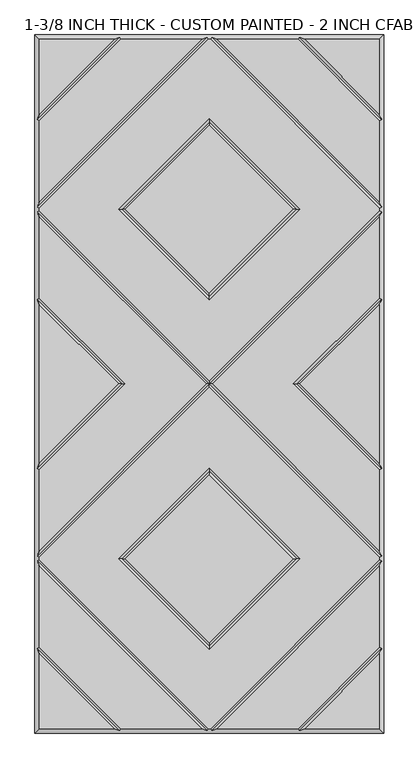
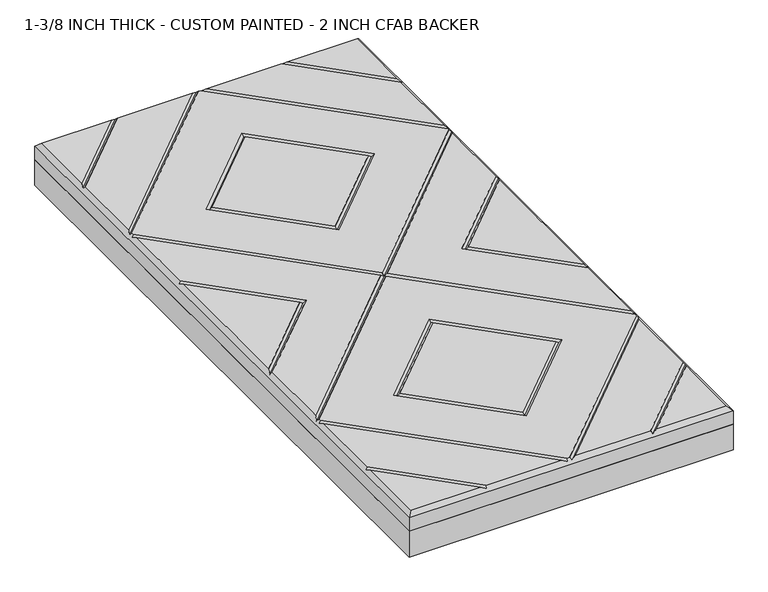
"""IFC4 building model written with IfcOpenShell, lengths in millimetres: proxy geometry, 1-3/8 INCH THICK - CUSTOM PAINTED - 2 INCH CFAB BACKER."""

from ifc_helpers import new_model, si_unit, frame, origin, place, context, project, spatial, polyline, outline, extrude, faceted_brep, source, transform, mapped, element, save


def proxy_1_3_8_inch_thick_custom_painted_2_inch_cfab_backer_00519a6a(model_context):
    return source(origin(), model_context, "Body", "SolidModel", [
        extrude(outline(polyline([(-304.8, 609.6), (304.8, 609.6), (304.8, -609.6), (-304.8, -609.6), (-304.8, 609.6)])), frame((0.0, 0.0, -50.8), z_axis=(0.0, 0.0, 1.0), x_axis=(1.0, 0.0, 0.0)), (0.0, 0.0, 1.0), 50.8),
        faceted_brep([(296.799, 470.8590948, 34.925), (296.799, 601.599, 34.925), (166.0590948, 601.599, 34.925), (-166.0590948, 601.599, 34.925), (-296.799, 601.599, 34.925), (-296.799, 470.8590948, 34.925), (2.3434141, 601.599, 34.925), (-2.343464, 601.599, 34.925), (-296.799, 307.143464, 34.925), (-296.799, 302.4565868, 34.925), (0.0, 5.6575868, 34.925), (296.799, 302.4565868, 34.925), (296.799, 307.1434632, 34.925), (158.0575614, 304.8000254, 34.925), (0.0, 146.742464, 34.925), (-158.0575614, 304.8000254, 34.925), (0.0, 462.8575868, 34.925), (166.0590079, -601.599, 34.925), (296.799, -601.599, 34.925), (296.799, -470.8585721, 34.925), (-296.799, -601.599, 34.925), (-166.0590079, -601.599, 34.925), (-296.799, -470.8585721, 34.925), (-154.743972, 601.599, 34.925), (-296.799, 459.543972, 34.925), (-296.799, 318.4585868, 34.925), (-13.6585868, 601.599, 34.925), (-2.3434382, -601.599, 34.925), (2.3434382, -601.599, 34.925), (296.799, -307.1434137, 34.925), (296.799, -302.456536, 34.925), (0.0, -5.657536, 34.925), (-296.799, -302.456536, 34.925), (-296.799, -307.1434137, 34.925), (-158.0575614, -304.7999746, 34.925), (0.0, -146.7424132, 34.925), (158.0575614, -304.7999746, 34.925), (0.0, -462.857536, 34.925), (13.6585378, 601.599, 34.925), (296.799, 318.458585, 34.925), (296.799, 459.543972, 34.925), (154.743972, 601.599, 34.925), (296.799, -318.4585369, 34.925), (13.6585605, -601.599, 34.925), (154.743904, -601.599, 34.925), (296.799, -459.5434305, 34.925), (-13.6585605, -601.599, 34.925), (-296.799, -318.4585369, 34.925), (-296.799, -459.5434305, 34.925), (-154.743904, -601.599, 34.925), (0.0, 158.0575868, 34.925), (146.7424386, 304.8000254, 34.925), (0.0, 451.542464, 34.925), (-146.7424386, 304.8000254, 34.925), (-296.799, 291.141464, 34.925), (-296.799, 150.0565868, 34.925), (-146.7424386, 2.54e-05, 34.925), (-296.799, -150.056536, 34.925), (-296.799, -291.1414132, 34.925), (-5.6575614, 2.54e-05, 34.925), (-296.799, 138.741464, 34.925), (-296.799, -138.7414132, 34.925), (-158.0575614, 2.54e-05, 34.925), (5.6575614, 2.54e-05, 34.925), (296.799, -291.1414132, 34.925), (296.799, -150.056536, 34.925), (146.7424386, 2.54e-05, 34.925), (296.799, 150.0565868, 34.925), (296.799, 291.141464, 34.925), (296.799, -138.7414132, 34.925), (296.799, 138.741464, 34.925), (158.0575614, 2.54e-05, 34.925), (0.0, -158.057536, 34.925), (-146.7424386, -304.7999746, 34.925), (0.0, -451.5424132, 34.925), (146.7424386, -304.7999746, 34.925), (-304.8, 609.6, 0.0), (304.8, 609.6, 0.0), (304.8, -609.6, 0.0), (-304.8, -609.6, 0.0), (-304.8, -609.6, 26.924), (-304.8, 609.6, 26.924), (304.8, -609.6, 26.924), (304.8, 609.6, 26.924), (-156.4010334, 605.5995, 30.9245), (-4.0005254, 605.5995, 30.9245), (4.0004753, 605.5995, 30.9245), (156.4010334, 605.5995, 30.9245), (-300.7995, -461.2004879, 30.9245), (-300.7995, -308.8004749, 30.9245), (-300.7995, -300.7994746, 30.9245), (-300.7995, -148.3994746, 30.9245), (-300.7995, 148.3995254, 30.9245), (-300.7995, 300.7995254, 30.9245), (-300.7995, 308.8005254, 30.9245), (-300.7995, 461.2010334, 30.9245), (156.4009693, -605.5995, 30.9245), (4.0004997, -605.5995, 30.9245), (-4.0004997, -605.5995, 30.9245), (-156.4009693, -605.5995, 30.9245), (300.7995, 461.2010334, 30.9245), (300.7995, 308.8005247, 30.9245), (300.7995, 300.7995254, 30.9245), (300.7995, 148.3995254, 30.9245), (300.7995, -148.3994746, 30.9245), (300.7995, -300.7994746, 30.9245), (300.7995, -308.8004749, 30.9245), (300.7995, -461.2004879, 30.9245), (0.0, 2.54e-05, 30.9245), (152.4, 304.8000254, 30.9245), (0.0, 152.4000254, 30.9245), (-152.4, 304.8000254, 30.9245), (0.0, 457.2000254, 30.9245), (-152.4, 2.54e-05, 30.9245), (152.4, 2.54e-05, 30.9245), (0.0, -152.3999746, 30.9245), (-152.4, -304.7999746, 30.9245), (0.0, -457.1999746, 30.9245), (152.4, -304.7999746, 30.9245)], [[[0, 1, 2]], [[3, 4, 5]], [[6, 7, 8, 9, 10, 11, 12], [13, 14, 15, 16]], [[17, 18, 19]], [[20, 21, 22]], [[23, 24, 25, 26]], [[27, 28, 29, 30, 31, 32, 33], [34, 35, 36, 37]], [[38, 39, 40, 41]], [[42, 43, 44, 45]], [[46, 47, 48, 49]], [[50, 51, 52, 53]], [[54, 55, 56, 57, 58, 59]], [[60, 61, 62]], [[63, 64, 65, 66, 67, 68]], [[69, 70, 71]], [[72, 73, 74, 75]], [[76, 77, 78, 79]], [[76, 79, 80, 81]], [[79, 78, 82, 80]], [[78, 77, 83, 82]], [[77, 76, 81, 83]], [[81, 4, 3, 84, 23, 26, 85, 7, 6, 86, 38, 41, 87, 2, 1, 83]], [[4, 81, 80, 20, 22, 88, 48, 47, 89, 33, 32, 90, 58, 57, 91, 61, 60, 92, 55, 54, 93, 9, 8, 94, 25, 24, 95, 5]], [[20, 80, 82, 18, 17, 96, 44, 43, 97, 28, 27, 98, 46, 49, 99, 21]], [[83, 1, 0, 100, 40, 39, 101, 12, 11, 102, 68, 67, 103, 70, 69, 104, 65, 64, 105, 30, 29, 106, 42, 45, 107, 19, 18, 82]], [[84, 95, 24, 23]], [[95, 84, 3, 5]], [[101, 86, 6, 12]], [[86, 101, 39, 38]], [[85, 94, 8, 7]], [[94, 85, 26, 25]], [[9, 93, 108, 10]], [[105, 64, 63, 108]], [[93, 54, 59, 108]], [[30, 105, 108, 31]], [[106, 97, 43, 42]], [[97, 106, 29, 28]], [[98, 89, 47, 46]], [[89, 98, 27, 33]], [[109, 110, 14, 13]], [[110, 109, 51, 50]], [[14, 110, 111, 15]], [[110, 50, 53, 111]], [[15, 111, 112, 16]], [[111, 53, 52, 112]], [[109, 13, 16, 112]], [[51, 109, 112, 52]], [[87, 100, 0, 2]], [[100, 87, 41, 40]], [[113, 56, 55, 92]], [[62, 113, 92, 60]], [[56, 113, 91, 57]], [[113, 62, 61, 91]], [[90, 108, 59, 58]], [[108, 102, 11, 10]], [[108, 90, 32, 31]], [[102, 108, 63, 68]], [[114, 71, 70, 103]], [[66, 114, 103, 67]], [[71, 114, 104, 69]], [[114, 66, 65, 104]], [[115, 116, 73, 72]], [[116, 115, 35, 34]], [[73, 116, 117, 74]], [[116, 34, 37, 117]], [[74, 117, 118, 75]], [[117, 37, 36, 118]], [[115, 72, 75, 118]], [[35, 115, 118, 36]], [[88, 99, 49, 48]], [[99, 88, 22, 21]], [[107, 96, 17, 19]], [[96, 107, 45, 44]]]),
    ])


if __name__ == "__main__":
    model = new_model("IFC4")
    model_context = context("Model", 3, world=origin())
    ifc_project = project(units=[si_unit("LENGTHUNIT", "METRE", prefix="MILLI")], contexts=[model_context])
    site = spatial("IfcSite", under=ifc_project)
    building = spatial("IfcBuilding", under=site)
    placement = place(None, origin())
    proxy_1_3_8_inch_thick_custom_painted_2_inch_cfab_backer_shape = proxy_1_3_8_inch_thick_custom_painted_2_inch_cfab_backer_00519a6a(model_context)
    element("IfcBuildingElementProxy", 1, Name="1-3/8 INCH THICK - CUSTOM PAINTED - 2 INCH CFAB BACKER", ObjectType="1-3/8 INCH THICK - CUSTOM PAINTED - 2 INCH CFAB BACKER", at=placement, inside=building, context=model_context, shape_type="MappedRepresentation", body=[
        mapped(proxy_1_3_8_inch_thick_custom_painted_2_inch_cfab_backer_shape, transform((0.0, 0.0, 0.0), x_axis=(1.0, 0.0, 0.0), y_axis=(0.0, 1.0, 0.0), z_axis=(0.0, 0.0, 1.0))),
    ])
    save(model, "model.ifc")
